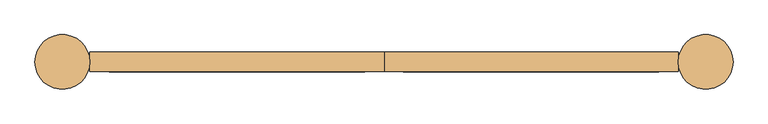
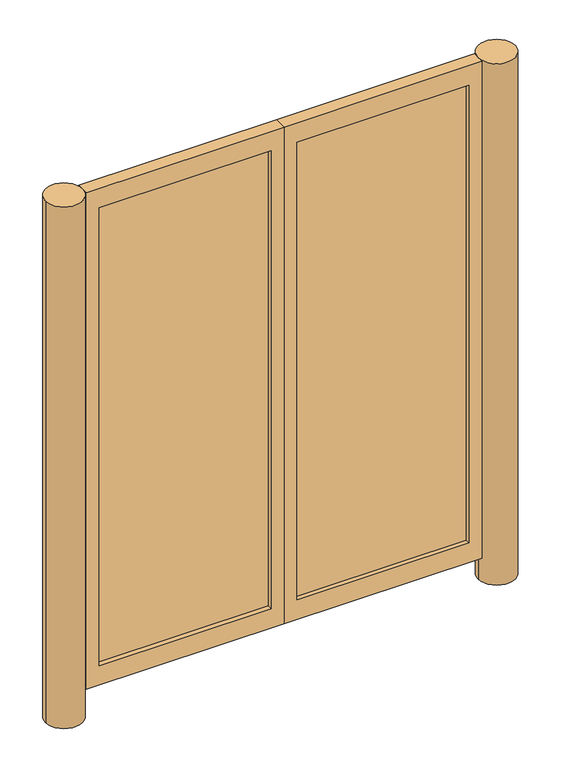
"""IFC4 building model written with IfcOpenShell, lengths in millimetres: door geometry."""

import ifcopenshell
import ifcopenshell.guid

model = None  # the IFC model being written
_history = None  # IfcOwnerHistory: only IFC2X3 demands one
_inside = {}  # id of a spatial element -> (the spatial element, [elements in it])
_under = {}  # id of a project, library or spatial element -> (it, [spatial elements below it])
_declared = {}  # id of a project -> (the project, [libraries it declares])
_typed = {}  # id of a type object -> (the type object, [elements of that type])
_made_of = {}  # id of a material, layer set ... -> (it, [elements and type objects made of it])


def new_model(schema):
    """Start an empty IFC model of exactly this schema.

    Asked for "IFC4X3", IfcOpenShell would pick the latest addendum, in which some entities
    have other attributes; the version numbers below select the first issue.
    IFC2X3 requires an IfcOwnerHistory on every rooted entity: one is made here for all.
    """
    global model, _history
    if schema == "IFC4X3":
        model = ifcopenshell.file(schema_version=(4, 3, 0, 0))
    else:
        model = ifcopenshell.file(schema=schema)
    _inside.clear()
    _under.clear()
    _declared.clear()
    _typed.clear()
    _made_of.clear()
    _history = None
    if model.schema == "IFC2X3":
        org = make("IfcOrganization", Name="unknown")
        user = make(
            "IfcPersonAndOrganization",
            ThePerson=make("IfcPerson", FamilyName="unknown"),
            TheOrganization=org,
        )
        app = make(
            "IfcApplication",
            ApplicationDeveloper=org,
            Version="unknown",
            ApplicationFullName="unknown",
            ApplicationIdentifier="unknown",
        )
        _history = make(
            "IfcOwnerHistory",
            OwningUser=user,
            OwningApplication=app,
            ChangeAction="ADDED",
            CreationDate=0,
        )
    return model


def make(cls, **values):
    """One entity of the class cls with the attributes given. An attribute that is None is left unset."""
    return model.create_entity(
        cls, **{name: value for name, value in values.items() if value is not None}
    )


def rooted(cls, **values):
    """An entity with a GlobalId (a new one), such as an element, a storey or a relation."""
    return make(cls, GlobalId=ifcopenshell.guid.new(), OwnerHistory=_history, **values)


def si_unit(unit_type, name, prefix=None):
    """IfcSIUnit, for example si_unit("LENGTHUNIT", "METRE", prefix="MILLI")."""
    return make("IfcSIUnit", UnitType=unit_type, Prefix=prefix, Name=name)


def assignment(units):
    """IfcUnitAssignment: the units of a project."""
    return None if units is None else make("IfcUnitAssignment", Units=units)


def point(xyz):
    """IfcCartesianPoint."""
    return None if xyz is None else make("IfcCartesianPoint", Coordinates=xyz)


def direction(xyz):
    """IfcDirection."""
    return None if xyz is None else make("IfcDirection", DirectionRatios=xyz)


def frame(location, z_axis=None, x_axis=None):
    """IfcAxis2Placement3D, a coordinate frame: its origin and axes. An axis left out is left unset."""
    return make(
        "IfcAxis2Placement3D",
        Location=point(location),
        Axis=direction(z_axis),
        RefDirection=direction(x_axis),
    )


def frame_2d(location, x_axis=None):
    """IfcAxis2Placement2D, a coordinate frame in the plane: its origin and x axis."""
    return make(
        "IfcAxis2Placement2D", Location=point(location), RefDirection=direction(x_axis)
    )


def origin():
    """The frame at (0, 0, 0) with its axes left unset."""
    return frame((0.0, 0.0, 0.0))


def origin_with_axes():
    """The frame at (0, 0, 0) with the z axis (0, 0, 1) and the x axis (1, 0, 0) written out."""
    return frame((0.0, 0.0, 0.0), z_axis=(0.0, 0.0, 1.0), x_axis=(1.0, 0.0, 0.0))


def place(relative_to, where):
    """IfcLocalPlacement: puts the frame where relative to a parent placement (None: the world)."""
    return make(
        "IfcLocalPlacement", PlacementRelTo=relative_to, RelativePlacement=where
    )


def context(
    kind, dimensions, precision=None, world=None, true_north=None, identifier=None
):
    """IfcGeometricRepresentationContext, for example the 3D "Model" context."""
    return make(
        "IfcGeometricRepresentationContext",
        ContextIdentifier=identifier,
        ContextType=kind,
        CoordinateSpaceDimension=dimensions,
        Precision=precision,
        WorldCoordinateSystem=world,
        TrueNorth=true_north,
    )


def project(units=None, contexts=None):
    """IfcProject with its units and contexts."""
    return rooted(
        "IfcProject",
        Name="project",
        RepresentationContexts=contexts,
        UnitsInContext=assignment(units),
    )


def spatial(cls, under=None, at=None, **own):
    """A site, building, storey or space (cls), placed at a placement, below another one or the project."""
    s = rooted(cls, ObjectPlacement=at, **own)
    if under is not None:
        _under.setdefault(under.id(), (under, []))[1].append(s)
    return s


def polyline(points):
    """IfcPolyline through the points."""
    return make("IfcPolyline", Points=[point(p) for p in points])


def circle_curve(where, radius):
    """IfcCircle in the frame where."""
    return make("IfcCircle", Position=where, Radius=radius)


def trimmed(basis, trim1, trim2, sense, master):
    """IfcTrimmedCurve: the piece of a basis curve between two trims."""
    return make(
        "IfcTrimmedCurve",
        BasisCurve=basis,
        Trim1=trim1,
        Trim2=trim2,
        SenseAgreement=sense,
        MasterRepresentation=master,
    )


def segment(curve, same_sense, transition):
    """IfcCompositeCurveSegment."""
    return make(
        "IfcCompositeCurveSegment",
        Transition=transition,
        SameSense=same_sense,
        ParentCurve=curve,
    )


def composite_curve(segments, self_intersect=None):
    """IfcCompositeCurve: segments joined end to end."""
    return make("IfcCompositeCurve", Segments=segments, SelfIntersect=self_intersect)


def outline(outer, holes=None, kind="AREA"):
    """IfcArbitraryClosedProfileDef: a profile drawn as a closed curve; with holes, ...WithVoids."""
    if holes is None:
        return make("IfcArbitraryClosedProfileDef", ProfileType=kind, OuterCurve=outer)
    return make(
        "IfcArbitraryProfileDefWithVoids",
        ProfileType=kind,
        OuterCurve=outer,
        InnerCurves=holes,
    )


def extrude(swept, where, along, depth):
    """IfcExtrudedAreaSolid: the profile swept, set in the frame where, extruded along a direction by depth."""
    return make(
        "IfcExtrudedAreaSolid",
        SweptArea=swept,
        Position=where,
        ExtrudedDirection=direction(along),
        Depth=depth,
    )


def shape(context_of_items, identifier, shape_type, items):
    """IfcShapeRepresentation: the items that make up one representation, for example the "Body"."""
    return make(
        "IfcShapeRepresentation",
        ContextOfItems=context_of_items,
        RepresentationIdentifier=identifier,
        RepresentationType=shape_type,
        Items=items,
    )


def source(mapping_origin, context_of_items, identifier, shape_type, items):
    """IfcRepresentationMap: a shape defined once, which mapped items show again and again."""
    return make(
        "IfcRepresentationMap",
        MappingOrigin=mapping_origin,
        MappedRepresentation=shape(context_of_items, identifier, shape_type, items),
    )


def transform(
    local_origin,
    x_axis=None,
    y_axis=None,
    z_axis=None,
    scale=None,
    scale2=None,
    scale3=None,
    uniform=True,
):
    """IfcCartesianTransformationOperator3D, or its non-uniform kind. x_axis, y_axis, z_axis: its Axis1, 2, 3."""
    if uniform:
        return make(
            "IfcCartesianTransformationOperator3D",
            Axis1=direction(x_axis),
            Axis2=direction(y_axis),
            LocalOrigin=point(local_origin),
            Scale=scale,
            Axis3=direction(z_axis),
        )
    return make(
        "IfcCartesianTransformationOperator3DnonUniform",
        Axis1=direction(x_axis),
        Axis2=direction(y_axis),
        LocalOrigin=point(local_origin),
        Scale=scale,
        Axis3=direction(z_axis),
        Scale2=scale2,
        Scale3=scale3,
    )


def mapped(mapping_source, mapping_target):
    """IfcMappedItem: shows the shape of a source again, moved by a transform."""
    return make(
        "IfcMappedItem", MappingSource=mapping_source, MappingTarget=mapping_target
    )


def made_of(thing, what):
    """Note that an element or type object is made of a material, layer set ...; save() writes the relation."""
    if what is not None:
        _made_of.setdefault(what.id(), (what, []))[1].append(thing)
    return thing


def element(
    cls,
    number,
    at=None,
    inside=None,
    cuts=None,
    type_object=None,
    material=None,
    context=None,
    identifier="Body",
    shape_type=None,
    held_by="IfcProductDefinitionShape",
    body=None,
    shapes=None,
    **own,
):
    """One element of the class cls, such as IfcWall. Its Tag is "e" and its number.

    at: its placement. inside: the storey or other place that contains it. cuts: it is an
    opening in that element (IfcRelVoidsElement). A single representation is given by context,
    identifier, shape_type and body (its items); several are given by shapes. held_by: the class
    of the entity that holds the representations. save() writes the other relations.
    """
    e = rooted(cls, Tag="e%d" % number, ObjectPlacement=at, **own)
    if body is not None:
        shapes = [shape(context, identifier, shape_type, body)]
    if shapes is not None:
        e.Representation = make(held_by, Representations=shapes)
    if inside is not None:
        _inside.setdefault(inside.id(), (inside, []))[1].append(e)
    if cuts is not None:
        rooted(
            "IfcRelVoidsElement", RelatingBuildingElement=cuts, RelatedOpeningElement=e
        )
    if type_object is not None:
        _typed.setdefault(type_object.id(), (type_object, []))[1].append(e)
    return made_of(e, material)


def aggregate(whole, parts):
    """IfcRelAggregates: a whole, such as a stair, and the parts it consists of."""
    return rooted("IfcRelAggregates", RelatingObject=whole, RelatedObjects=parts)


def save(model, path):
    """Write the relations noted so far, then the file.

    IfcRelAggregates (storeys below a building ...), IfcRelContainedInSpatialStructure (elements
    in a storey), IfcRelDefinesByType, IfcRelAssociatesMaterial and IfcRelDeclares: one each for
    every whole, place, type object, material and project.
    """
    for whole, parts in _under.values():
        aggregate(whole, parts)
    for where, things in _inside.values():
        rooted(
            "IfcRelContainedInSpatialStructure",
            RelatedElements=things,
            RelatingStructure=where,
        )
    for kind, things in _typed.values():
        rooted("IfcRelDefinesByType", RelatedObjects=things, RelatingType=kind)
    for what, things in _made_of.values():
        rooted("IfcRelAssociatesMaterial", RelatedObjects=things, RelatingMaterial=what)
    for by, libraries in _declared.values():
        rooted("IfcRelDeclares", RelatingContext=by, RelatedDefinitions=libraries)
    model.write(path)


def door_052d3922(model_context):
    return source(origin(), model_context, "Body", "SweptSolid", [
        extrude(outline(composite_curve([segment(trimmed(circle_curve(frame_2d((-838.2, 0.0)), 71.4375), [point((-909.6375, 0.0))], [point((-766.7625, 0.0))], False, "CARTESIAN"), True, "CONTINUOUS"), segment(trimmed(circle_curve(frame_2d((-838.2, 0.0)), 71.4375), [point((-766.7625, 0.0))], [point((-909.6375, 0.0))], False, "CARTESIAN"), True, "CONTINUOUS")], self_intersect=False)), origin_with_axes(), (0.0, 0.0, 1.0), 2133.6),
        extrude(outline(composite_curve([segment(trimmed(circle_curve(frame_2d((838.2, 0.0)), 71.4375), [point((766.7625, 0.0))], [point((909.6375, 0.0))], False, "CARTESIAN"), True, "CONTINUOUS"), segment(trimmed(circle_curve(frame_2d((838.2, 0.0)), 71.4375), [point((909.6375, 0.0))], [point((766.7625, 0.0))], False, "CARTESIAN"), True, "CONTINUOUS")], self_intersect=False)), origin_with_axes(), (0.0, 0.0, 1.0), 2133.6),
        extrude(outline(polyline([(-50.8, -6.35), (-715.9625, -6.35), (-715.9625, 6.35), (-50.8, 6.35), (-50.8, -6.35)])), frame((0.0, 0.0, 180.975), z_axis=(0.0, 0.0, 1.0), x_axis=(1.0, 0.0, 0.0)), (0.0, 0.0, 1.0), 1873.25),
        extrude(outline(polyline([(715.9625, -6.35), (50.8, -6.35), (50.8, 6.35), (715.9625, 6.35), (715.9625, -6.35)])), frame((0.0, 0.0, 180.975), z_axis=(0.0, 0.0, 1.0), x_axis=(1.0, 0.0, 0.0)), (0.0, 0.0, 1.0), 1873.25),
        extrude(outline(polyline([(2133.6, -766.7625), (101.6, -766.7625), (101.6, 0.0), (2133.6, 0.0), (2133.6, -766.7625)]), holes=[polyline([(2054.225, -715.9625), (2054.225, -50.8), (180.975, -50.8), (180.975, -715.9625), (2054.225, -715.9625)])]), frame((0.0, -25.4, 0.0), z_axis=(0.0, 1.0, 0.0), x_axis=(0.0, 0.0, 1.0)), (0.0, 0.0, 1.0), 50.8),
        extrude(outline(polyline([(2133.6, 0.0), (101.6, 0.0), (101.6, 766.7625), (2133.6, 766.7625), (2133.6, 0.0)]), holes=[polyline([(2054.225, 50.8), (2054.225, 715.9625), (180.975, 715.9625), (180.975, 50.8), (2054.225, 50.8)])]), frame((0.0, -25.4, 0.0), z_axis=(0.0, 1.0, 0.0), x_axis=(0.0, 0.0, 1.0)), (0.0, 0.0, 1.0), 50.8),
    ])


if __name__ == "__main__":
    model = new_model("IFC4")
    model_context = context("Model", 3, world=origin())
    ifc_project = project(units=[si_unit("LENGTHUNIT", "METRE", prefix="MILLI")], contexts=[model_context])
    site = spatial("IfcSite", under=ifc_project)
    building = spatial("IfcBuilding", under=site)
    placement = place(None, origin())
    door_shape = door_052d3922(model_context)
    element("IfcDoor", 1, at=placement, inside=building, context=model_context, shape_type="MappedRepresentation", body=[
        mapped(door_shape, transform((0.0, 0.0, 0.0), x_axis=(1.0, 0.0, 0.0), y_axis=(0.0, 1.0, 0.0), z_axis=(0.0, 0.0, 1.0))),
    ])
    save(model, "model.ifc")
